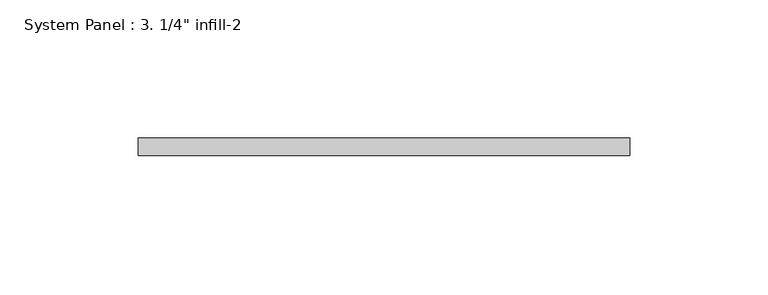
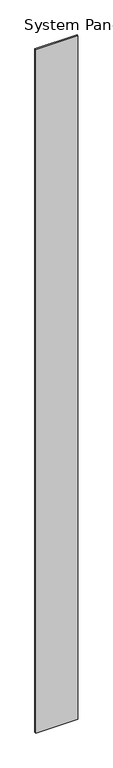
"""IFC4 building model written with IfcOpenShell, lengths in millimetres: plate geometry."""

from ifc_helpers import new_model, si_unit, origin, origin_with_axes, place, context, project, spatial, polyline, outline, extrude, source, transform, mapped, element, save


def plate_8a8cd4e3(model_context):
    return source(origin(), model_context, "Body", "SweptSolid", [
        extrude(outline(polyline([(88.9520844, 0.0), (-88.9520844, 0.0), (-88.9520844, 6.35), (88.9520844, 6.35), (88.9520844, 0.0)])), origin_with_axes(), (0.0, 0.0, 1.0), 3048.0),
    ])


if __name__ == "__main__":
    model = new_model("IFC4")
    model_context = context("Model", 3, world=origin())
    ifc_project = project(units=[si_unit("LENGTHUNIT", "METRE", prefix="MILLI")], contexts=[model_context])
    site = spatial("IfcSite", under=ifc_project)
    building = spatial("IfcBuilding", under=site)
    placement = place(None, origin())
    plate_shape = plate_8a8cd4e3(model_context)
    element("IfcPlate", 1, ObjectType="System Panel : 3. 1/4\" infill-2", at=placement, inside=building, context=model_context, shape_type="MappedRepresentation", body=[
        mapped(plate_shape, transform((0.0, 0.0, 0.0), x_axis=(1.0, 0.0, 0.0), y_axis=(0.0, 1.0, 0.0), z_axis=(0.0, 0.0, 1.0))),
    ])
    save(model, "model.ifc")
